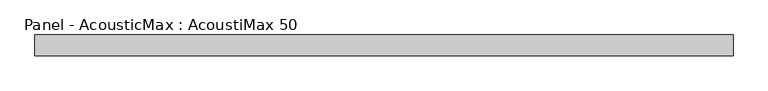
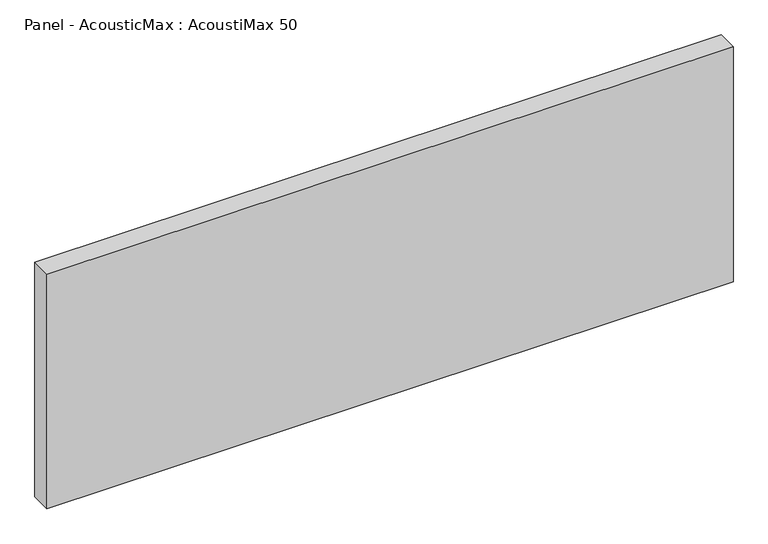
"""IFC4 building model written with IfcOpenShell, lengths in millimetres: plate geometry, Panel - AcousticMax : AcoustiMax 50."""

from ifc_helpers import new_model, si_unit, origin, origin_with_axes, place, context, project, spatial, polyline, outline, extrude, source, transform, mapped, element, save


def panel_acousticmax_acoustimax_50_f3e51717(model_context):
    return source(origin(), model_context, "Body", "SweptSolid", [
        extrude(outline(polyline([(829.7333323, -25.0), (-829.2333323, -25.0), (-829.2333323, 25.0), (829.7333323, 25.0), (829.7333323, -25.0)])), origin_with_axes(), (0.0, 0.0, 1.0), 600.0),
    ])


if __name__ == "__main__":
    model = new_model("IFC4")
    model_context = context("Model", 3, world=origin())
    ifc_project = project(units=[si_unit("LENGTHUNIT", "METRE", prefix="MILLI")], contexts=[model_context])
    site = spatial("IfcSite", under=ifc_project)
    building = spatial("IfcBuilding", under=site)
    placement = place(None, origin())
    panel_acousticmax_acoustimax_50_shape = panel_acousticmax_acoustimax_50_f3e51717(model_context)
    element("IfcPlate", 1, ObjectType="Panel - AcousticMax : AcoustiMax 50", at=placement, inside=building, context=model_context, shape_type="MappedRepresentation", body=[
        mapped(panel_acousticmax_acoustimax_50_shape, transform((0.0, 0.0, 0.0), x_axis=(1.0, 0.0, 0.0), y_axis=(0.0, 1.0, 0.0), z_axis=(0.0, 0.0, 1.0))),
    ])
    save(model, "model.ifc")
